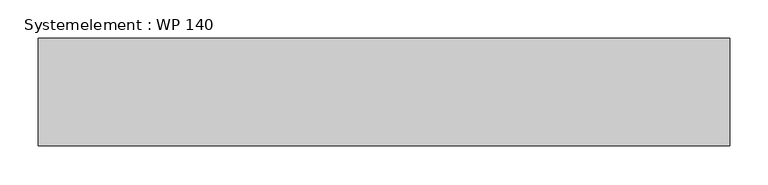
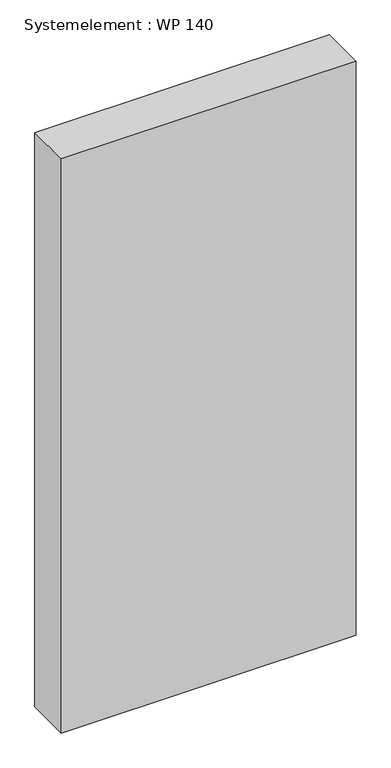
"""IFC4 building model written with IfcOpenShell, lengths in millimetres: plate geometry, Systemelement : WP 140."""

import ifcopenshell
import ifcopenshell.guid

model = None  # the IFC model being written
_history = None  # IfcOwnerHistory: only IFC2X3 demands one
_inside = {}  # id of a spatial element -> (the spatial element, [elements in it])
_under = {}  # id of a project, library or spatial element -> (it, [spatial elements below it])
_declared = {}  # id of a project -> (the project, [libraries it declares])
_typed = {}  # id of a type object -> (the type object, [elements of that type])
_made_of = {}  # id of a material, layer set ... -> (it, [elements and type objects made of it])


def new_model(schema):
    """Start an empty IFC model of exactly this schema.

    Asked for "IFC4X3", IfcOpenShell would pick the latest addendum, in which some entities
    have other attributes; the version numbers below select the first issue.
    IFC2X3 requires an IfcOwnerHistory on every rooted entity: one is made here for all.
    """
    global model, _history
    if schema == "IFC4X3":
        model = ifcopenshell.file(schema_version=(4, 3, 0, 0))
    else:
        model = ifcopenshell.file(schema=schema)
    _inside.clear()
    _under.clear()
    _declared.clear()
    _typed.clear()
    _made_of.clear()
    _history = None
    if model.schema == "IFC2X3":
        org = make("IfcOrganization", Name="unknown")
        user = make(
            "IfcPersonAndOrganization",
            ThePerson=make("IfcPerson", FamilyName="unknown"),
            TheOrganization=org,
        )
        app = make(
            "IfcApplication",
            ApplicationDeveloper=org,
            Version="unknown",
            ApplicationFullName="unknown",
            ApplicationIdentifier="unknown",
        )
        _history = make(
            "IfcOwnerHistory",
            OwningUser=user,
            OwningApplication=app,
            ChangeAction="ADDED",
            CreationDate=0,
        )
    return model


def make(cls, **values):
    """One entity of the class cls with the attributes given. An attribute that is None is left unset."""
    return model.create_entity(
        cls, **{name: value for name, value in values.items() if value is not None}
    )


def rooted(cls, **values):
    """An entity with a GlobalId (a new one), such as an element, a storey or a relation."""
    return make(cls, GlobalId=ifcopenshell.guid.new(), OwnerHistory=_history, **values)


def si_unit(unit_type, name, prefix=None):
    """IfcSIUnit, for example si_unit("LENGTHUNIT", "METRE", prefix="MILLI")."""
    return make("IfcSIUnit", UnitType=unit_type, Prefix=prefix, Name=name)


def assignment(units):
    """IfcUnitAssignment: the units of a project."""
    return None if units is None else make("IfcUnitAssignment", Units=units)


def point(xyz):
    """IfcCartesianPoint."""
    return None if xyz is None else make("IfcCartesianPoint", Coordinates=xyz)


def direction(xyz):
    """IfcDirection."""
    return None if xyz is None else make("IfcDirection", DirectionRatios=xyz)


def frame(location, z_axis=None, x_axis=None):
    """IfcAxis2Placement3D, a coordinate frame: its origin and axes. An axis left out is left unset."""
    return make(
        "IfcAxis2Placement3D",
        Location=point(location),
        Axis=direction(z_axis),
        RefDirection=direction(x_axis),
    )


def origin():
    """The frame at (0, 0, 0) with its axes left unset."""
    return frame((0.0, 0.0, 0.0))


def origin_with_axes():
    """The frame at (0, 0, 0) with the z axis (0, 0, 1) and the x axis (1, 0, 0) written out."""
    return frame((0.0, 0.0, 0.0), z_axis=(0.0, 0.0, 1.0), x_axis=(1.0, 0.0, 0.0))


def place(relative_to, where):
    """IfcLocalPlacement: puts the frame where relative to a parent placement (None: the world)."""
    return make(
        "IfcLocalPlacement", PlacementRelTo=relative_to, RelativePlacement=where
    )


def context(
    kind, dimensions, precision=None, world=None, true_north=None, identifier=None
):
    """IfcGeometricRepresentationContext, for example the 3D "Model" context."""
    return make(
        "IfcGeometricRepresentationContext",
        ContextIdentifier=identifier,
        ContextType=kind,
        CoordinateSpaceDimension=dimensions,
        Precision=precision,
        WorldCoordinateSystem=world,
        TrueNorth=true_north,
    )


def project(units=None, contexts=None):
    """IfcProject with its units and contexts."""
    return rooted(
        "IfcProject",
        Name="project",
        RepresentationContexts=contexts,
        UnitsInContext=assignment(units),
    )


def spatial(cls, under=None, at=None, **own):
    """A site, building, storey or space (cls), placed at a placement, below another one or the project."""
    s = rooted(cls, ObjectPlacement=at, **own)
    if under is not None:
        _under.setdefault(under.id(), (under, []))[1].append(s)
    return s


def polyline(points):
    """IfcPolyline through the points."""
    return make("IfcPolyline", Points=[point(p) for p in points])


def outline(outer, holes=None, kind="AREA"):
    """IfcArbitraryClosedProfileDef: a profile drawn as a closed curve; with holes, ...WithVoids."""
    if holes is None:
        return make("IfcArbitraryClosedProfileDef", ProfileType=kind, OuterCurve=outer)
    return make(
        "IfcArbitraryProfileDefWithVoids",
        ProfileType=kind,
        OuterCurve=outer,
        InnerCurves=holes,
    )


def extrude(swept, where, along, depth):
    """IfcExtrudedAreaSolid: the profile swept, set in the frame where, extruded along a direction by depth."""
    return make(
        "IfcExtrudedAreaSolid",
        SweptArea=swept,
        Position=where,
        ExtrudedDirection=direction(along),
        Depth=depth,
    )


def shape(context_of_items, identifier, shape_type, items):
    """IfcShapeRepresentation: the items that make up one representation, for example the "Body"."""
    return make(
        "IfcShapeRepresentation",
        ContextOfItems=context_of_items,
        RepresentationIdentifier=identifier,
        RepresentationType=shape_type,
        Items=items,
    )


def source(mapping_origin, context_of_items, identifier, shape_type, items):
    """IfcRepresentationMap: a shape defined once, which mapped items show again and again."""
    return make(
        "IfcRepresentationMap",
        MappingOrigin=mapping_origin,
        MappedRepresentation=shape(context_of_items, identifier, shape_type, items),
    )


def transform(
    local_origin,
    x_axis=None,
    y_axis=None,
    z_axis=None,
    scale=None,
    scale2=None,
    scale3=None,
    uniform=True,
):
    """IfcCartesianTransformationOperator3D, or its non-uniform kind. x_axis, y_axis, z_axis: its Axis1, 2, 3."""
    if uniform:
        return make(
            "IfcCartesianTransformationOperator3D",
            Axis1=direction(x_axis),
            Axis2=direction(y_axis),
            LocalOrigin=point(local_origin),
            Scale=scale,
            Axis3=direction(z_axis),
        )
    return make(
        "IfcCartesianTransformationOperator3DnonUniform",
        Axis1=direction(x_axis),
        Axis2=direction(y_axis),
        LocalOrigin=point(local_origin),
        Scale=scale,
        Axis3=direction(z_axis),
        Scale2=scale2,
        Scale3=scale3,
    )


def mapped(mapping_source, mapping_target):
    """IfcMappedItem: shows the shape of a source again, moved by a transform."""
    return make(
        "IfcMappedItem", MappingSource=mapping_source, MappingTarget=mapping_target
    )


def made_of(thing, what):
    """Note that an element or type object is made of a material, layer set ...; save() writes the relation."""
    if what is not None:
        _made_of.setdefault(what.id(), (what, []))[1].append(thing)
    return thing


def element(
    cls,
    number,
    at=None,
    inside=None,
    cuts=None,
    type_object=None,
    material=None,
    context=None,
    identifier="Body",
    shape_type=None,
    held_by="IfcProductDefinitionShape",
    body=None,
    shapes=None,
    **own,
):
    """One element of the class cls, such as IfcWall. Its Tag is "e" and its number.

    at: its placement. inside: the storey or other place that contains it. cuts: it is an
    opening in that element (IfcRelVoidsElement). A single representation is given by context,
    identifier, shape_type and body (its items); several are given by shapes. held_by: the class
    of the entity that holds the representations. save() writes the other relations.
    """
    e = rooted(cls, Tag="e%d" % number, ObjectPlacement=at, **own)
    if body is not None:
        shapes = [shape(context, identifier, shape_type, body)]
    if shapes is not None:
        e.Representation = make(held_by, Representations=shapes)
    if inside is not None:
        _inside.setdefault(inside.id(), (inside, []))[1].append(e)
    if cuts is not None:
        rooted(
            "IfcRelVoidsElement", RelatingBuildingElement=cuts, RelatedOpeningElement=e
        )
    if type_object is not None:
        _typed.setdefault(type_object.id(), (type_object, []))[1].append(e)
    return made_of(e, material)


def aggregate(whole, parts):
    """IfcRelAggregates: a whole, such as a stair, and the parts it consists of."""
    return rooted("IfcRelAggregates", RelatingObject=whole, RelatedObjects=parts)


def save(model, path):
    """Write the relations noted so far, then the file.

    IfcRelAggregates (storeys below a building ...), IfcRelContainedInSpatialStructure (elements
    in a storey), IfcRelDefinesByType, IfcRelAssociatesMaterial and IfcRelDeclares: one each for
    every whole, place, type object, material and project.
    """
    for whole, parts in _under.values():
        aggregate(whole, parts)
    for where, things in _inside.values():
        rooted(
            "IfcRelContainedInSpatialStructure",
            RelatedElements=things,
            RelatingStructure=where,
        )
    for kind, things in _typed.values():
        rooted("IfcRelDefinesByType", RelatedObjects=things, RelatingType=kind)
    for what, things in _made_of.values():
        rooted("IfcRelAssociatesMaterial", RelatedObjects=things, RelatingMaterial=what)
    for by, libraries in _declared.values():
        rooted("IfcRelDeclares", RelatingContext=by, RelatedDefinitions=libraries)
    model.write(path)


def systemelement_wp_140_4d6c52d9(model_context):
    return source(origin(), model_context, "Body", "SweptSolid", [
        extrude(outline(polyline([(450.0, -140.0), (-450.0, -140.0), (-450.0, 0.0), (450.0, 0.0), (450.0, -140.0)])), origin_with_axes(), (0.0, 0.0, 1.0), 1851.6147161),
    ])


if __name__ == "__main__":
    model = new_model("IFC4")
    model_context = context("Model", 3, world=origin())
    ifc_project = project(units=[si_unit("LENGTHUNIT", "METRE", prefix="MILLI")], contexts=[model_context])
    site = spatial("IfcSite", under=ifc_project)
    building = spatial("IfcBuilding", under=site)
    placement = place(None, origin())
    systemelement_wp_140_shape = systemelement_wp_140_4d6c52d9(model_context)
    element("IfcPlate", 1, ObjectType="Systemelement : WP 140", at=placement, inside=building, context=model_context, shape_type="MappedRepresentation", body=[
        mapped(systemelement_wp_140_shape, transform((0.0, 0.0, 0.0), x_axis=(1.0, 0.0, 0.0), y_axis=(0.0, 1.0, 0.0), z_axis=(0.0, 0.0, 1.0))),
    ])
    save(model, "model.ifc")
